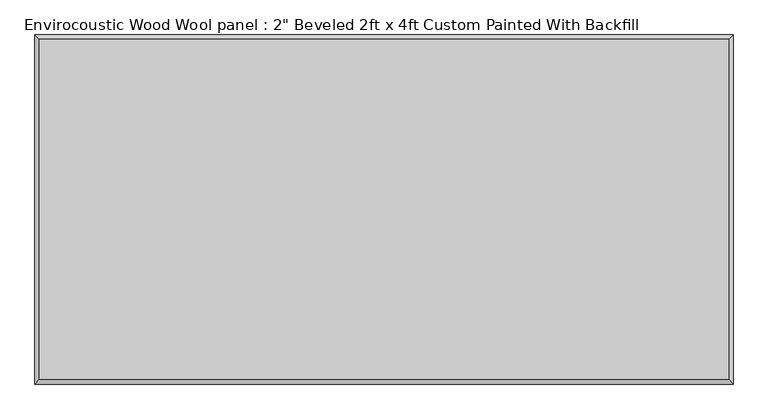
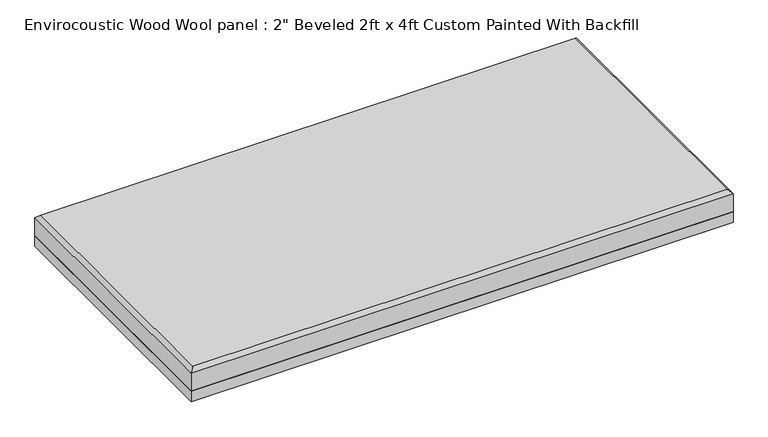
"""IFC4 building model written with IfcOpenShell, lengths in millimetres: proxy geometry."""

from ifc_helpers import new_model, si_unit, origin, origin_with_axes, place, context, project, spatial, polyline, outline, extrude, faceted_brep, source, transform, mapped, element, save


def proxy_b0af6f0d(model_context):
    return source(origin(), model_context, "Body", "SolidModel", [
        extrude(outline(polyline([(609.6, 304.8), (609.6, -304.8), (-609.6, -304.8), (-609.6, 304.8), (609.6, 304.8)])), origin_with_axes(), (0.0, 0.0, 1.0), 25.4),
        faceted_brep([(601.599, 296.799, 76.2), (-601.599, 296.799, 76.2), (-601.599, -296.799, 76.2), (601.599, -296.799, 76.2), (-609.6, 304.8, 25.4), (609.6, 304.8, 25.4), (609.6, -304.8, 25.4), (-609.6, -304.8, 25.4), (-609.6, -304.8, 68.199), (-609.6, 304.8, 68.199), (609.6, -304.8, 68.199), (609.6, 304.8, 68.199)], [[[0, 1, 2, 3]], [[4, 5, 6, 7]], [[4, 7, 8, 9]], [[7, 6, 10, 8]], [[6, 5, 11, 10]], [[5, 4, 9, 11]], [[9, 1, 0, 11]], [[1, 9, 8, 2]], [[2, 8, 10, 3]], [[11, 0, 3, 10]]]),
    ])


if __name__ == "__main__":
    model = new_model("IFC4")
    model_context = context("Model", 3, world=origin())
    ifc_project = project(units=[si_unit("LENGTHUNIT", "METRE", prefix="MILLI")], contexts=[model_context])
    site = spatial("IfcSite", under=ifc_project)
    building = spatial("IfcBuilding", under=site)
    placement = place(None, origin())
    proxy_shape = proxy_b0af6f0d(model_context)
    element("IfcBuildingElementProxy", 1, Name="Envirocoustic Wood Wool panel : 2\" Beveled 2ft x 4ft Custom Painted With Backfill", ObjectType="Envirocoustic Wood Wool panel : 2\" Beveled 2ft x 4ft Custom Painted With Backfill", at=placement, inside=building, context=model_context, shape_type="MappedRepresentation", body=[
        mapped(proxy_shape, transform((0.0, 0.0, 0.0), x_axis=(1.0, 0.0, 0.0), y_axis=(0.0, 1.0, 0.0), z_axis=(0.0, 0.0, 1.0))),
    ])
    save(model, "model.ifc")
